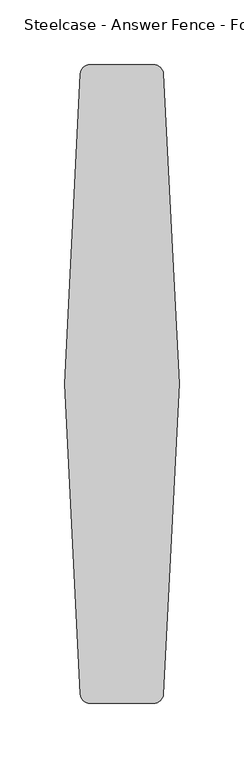
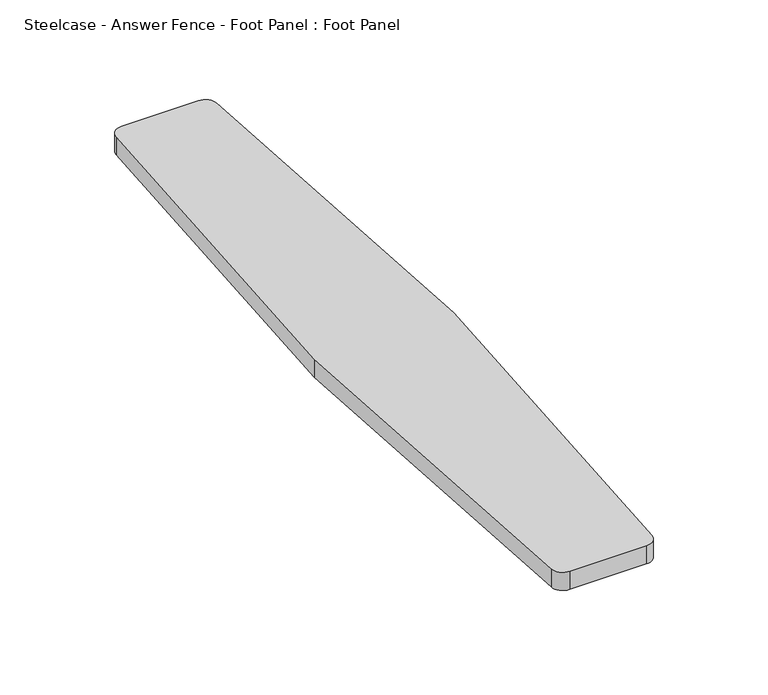
"""IFC4 building model written with IfcOpenShell, lengths in millimetres: furniture geometry, Steelcase - Answer Fence - Foot Panel : Foot Panel."""

from ifc_helpers import new_model, si_unit, point, frame, frame_2d, origin, origin_with_axes, place, context, project, spatial, polyline, circle_curve, trimmed, segment, composite_curve, outline, extrude, source, transform, mapped, element, save


def steelcase_answer_fence_foot_panel_foot_panel_0da6e12f(model_context):
    return source(origin(), model_context, "Body", "SweptSolid", [
        extrude(outline(composite_curve([segment(trimmed(circle_curve(frame_2d((-38.1, 133.3684287)), 19.05), [point((-57.15, 133.3684287))], [point((-19.05, 133.3684287))], False, "CARTESIAN"), True, "CONTINUOUS"), segment(trimmed(circle_curve(frame_2d((-38.1, 133.3684287)), 19.05), [point((-19.05, 133.3684287))], [point((-57.15, 133.3684287))], False, "CARTESIAN"), True, "CONTINUOUS")], self_intersect=False)), origin_with_axes(), (0.0, 0.0, 1.0), 3.180088),
        extrude(outline(composite_curve([segment(trimmed(circle_curve(frame_2d((-38.1, -285.9552342)), 19.05), [point((-57.15, -285.9552342))], [point((-19.05, -285.9552342))], False, "CARTESIAN"), True, "CONTINUOUS"), segment(trimmed(circle_curve(frame_2d((-38.1, -285.9552342)), 19.05), [point((-19.05, -285.9552342))], [point((-57.15, -285.9552342))], False, "CARTESIAN"), True, "CONTINUOUS")], self_intersect=False)), origin_with_axes(), (0.0, 0.0, 1.0), 3.180088),
        extrude(outline(composite_curve([segment(polyline([(5.5548438, -76.3929358), (-6.7694674, -316.8130368)]), True, "CONTINUOUS"), segment(trimmed(circle_curve(frame_2d((-14.3794754, -316.4229358)), 7.62), [point((-6.7694674, -316.8130368))], [point((-14.3794754, -324.0429358))], False, "CARTESIAN"), True, "CONTINUOUS"), segment(polyline([(-14.3794754, -324.0429358), (-63.410831, -324.0429358)]), True, "CONTINUOUS"), segment(trimmed(circle_curve(frame_2d((-63.410831, -316.4229358)), 7.62), [point((-63.410831, -324.0429358))], [point((-71.020839, -316.813037))], False, "CARTESIAN"), True, "CONTINUOUS"), segment(polyline([(-71.020839, -316.813037), (-83.3451562, -76.3929358), (-71.020839, 164.0271653)]), True, "CONTINUOUS"), segment(trimmed(circle_curve(frame_2d((-63.410831, 163.6370642)), 7.62), [point((-71.020839, 164.0271653))], [point((-63.410831, 171.2570642))], False, "CARTESIAN"), True, "CONTINUOUS"), segment(polyline([(-63.410831, 171.2570642), (-14.3794754, 171.2570642)]), True, "CONTINUOUS"), segment(trimmed(circle_curve(frame_2d((-14.3794754, 163.6370642)), 7.62), [point((-14.3794754, 171.2570642))], [point((-6.7694674, 164.0271651))], False, "CARTESIAN"), True, "CONTINUOUS"), segment(polyline([(-6.7694674, 164.0271651), (5.5548438, -76.3929358)]), True, "CONTINUOUS")], self_intersect=False)), frame((0.0, 0.0, 3.180088), z_axis=(0.0, 0.0, 1.0), x_axis=(1.0, 0.0, 0.0)), (0.0, 0.0, 1.0), 12.313879),
    ])


if __name__ == "__main__":
    model = new_model("IFC4")
    model_context = context("Model", 3, world=origin())
    ifc_project = project(units=[si_unit("LENGTHUNIT", "METRE", prefix="MILLI")], contexts=[model_context])
    site = spatial("IfcSite", under=ifc_project)
    building = spatial("IfcBuilding", under=site)
    placement = place(None, origin())
    steelcase_answer_fence_foot_panel_foot_panel_shape = steelcase_answer_fence_foot_panel_foot_panel_0da6e12f(model_context)
    element("IfcFurniture", 1, ObjectType="Steelcase - Answer Fence - Foot Panel : Foot Panel", at=placement, inside=building, context=model_context, shape_type="MappedRepresentation", body=[
        mapped(steelcase_answer_fence_foot_panel_foot_panel_shape, transform((0.0, 0.0, 0.0), x_axis=(1.0, 0.0, 0.0), y_axis=(0.0, 1.0, 0.0), z_axis=(0.0, 0.0, 1.0))),
    ])
    save(model, "model.ifc")
